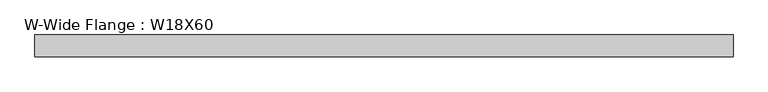
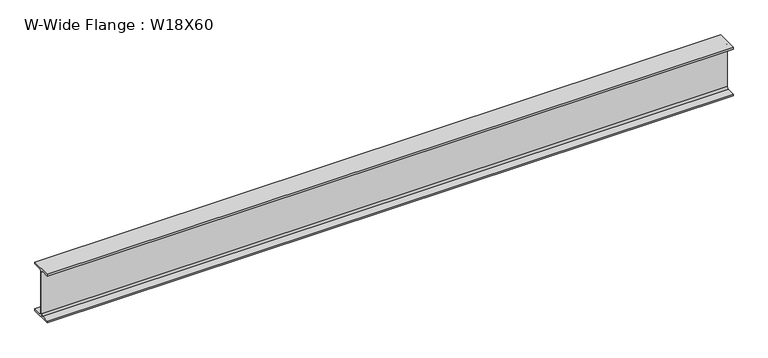
"""IFC4 building model written with IfcOpenShell, lengths in millimetres: beam geometry, W-Wide Flange : W18X60."""

from ifc_helpers import new_model, si_unit, point, frame, frame_2d, origin, place, context, project, spatial, polyline, circle_curve, trimmed, segment, composite_curve, outline, extrude, source, transform, mapped, element, save


def w_wide_flange_w18x60_948c1e30(model_context):
    return source(origin(), model_context, "Body", "SweptSolid", [
        extrude(outline(composite_curve([segment(polyline([(96.012, -213.487), (96.012, -231.14), (-96.012, -231.14), (-96.012, -213.487), (-22.5425, -213.487)]), True, "CONTINUOUS"), segment(trimmed(circle_curve(frame_2d((-22.5425, -196.215)), 17.272), [point((-22.5425, -213.487))], [point((-5.2705, -196.215))], True, "CARTESIAN"), True, "CONTINUOUS"), segment(polyline([(-5.2705, -196.215), (-5.2705, 196.215)]), True, "CONTINUOUS"), segment(trimmed(circle_curve(frame_2d((-22.5425, 196.215)), 17.272), [point((-5.2705, 196.215))], [point((-22.5425, 213.487))], True, "CARTESIAN"), True, "CONTINUOUS"), segment(polyline([(-22.5425, 213.487), (-96.012, 213.487), (-96.012, 231.14), (96.012, 231.14), (96.012, 213.487), (22.5425, 213.487)]), True, "CONTINUOUS"), segment(trimmed(circle_curve(frame_2d((22.5425, 196.215)), 17.272), [point((22.5425, 213.487))], [point((5.2705, 196.215))], True, "CARTESIAN"), True, "CONTINUOUS"), segment(polyline([(5.2705, 196.215), (5.2705, -196.215)]), True, "CONTINUOUS"), segment(trimmed(circle_curve(frame_2d((22.5425, -196.215)), 17.272), [point((5.2705, -196.215))], [point((22.5425, -213.487))], True, "CARTESIAN"), True, "CONTINUOUS"), segment(polyline([(22.5425, -213.487), (96.012, -213.487)]), True, "CONTINUOUS")], self_intersect=False)), frame((-3079.75, 0.0, 0.0), z_axis=(1.0, 0.0, 0.0), x_axis=(0.0, 1.0, 0.0)), (0.0, 0.0, 1.0), 6159.5),
    ])


if __name__ == "__main__":
    model = new_model("IFC4")
    model_context = context("Model", 3, world=origin())
    ifc_project = project(units=[si_unit("LENGTHUNIT", "METRE", prefix="MILLI")], contexts=[model_context])
    site = spatial("IfcSite", under=ifc_project)
    building = spatial("IfcBuilding", under=site)
    placement = place(None, origin())
    w_wide_flange_w18x60_shape = w_wide_flange_w18x60_948c1e30(model_context)
    element("IfcBeam", 1, ObjectType="W-Wide Flange : W18X60", at=placement, inside=building, context=model_context, shape_type="MappedRepresentation", body=[
        mapped(w_wide_flange_w18x60_shape, transform((0.0, 0.0, 0.0), x_axis=(1.0, 0.0, 0.0), y_axis=(0.0, 1.0, 0.0), z_axis=(0.0, 0.0, 1.0))),
    ])
    save(model, "model.ifc")
